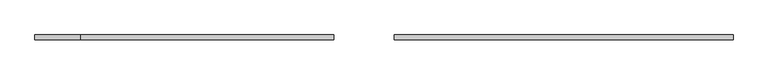
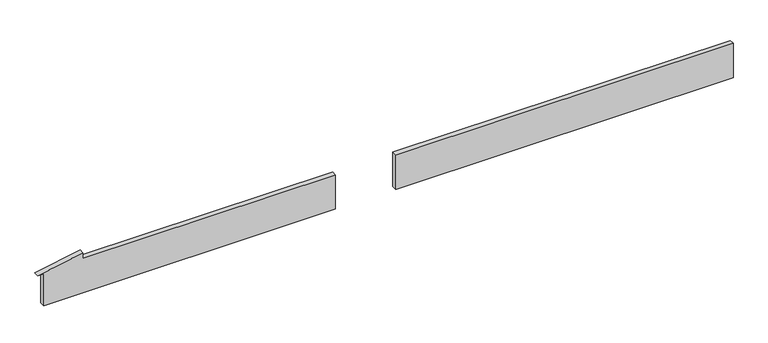
"""IFC4 building model written with IfcOpenShell, lengths in millimetres: plate geometry."""

from ifc_helpers import new_model, si_unit, frame, origin, origin_with_axes, place, context, project, spatial, polyline, outline, extrude, source, transform, mapped, element, save


def plate_51a630a7(model_context):
    return source(origin(), model_context, "Body", "SweptSolid", [
        extrude(outline(polyline([(1434.1666667, 20.0), (42.8429965, 20.0), (42.8429965, 40.0), (1434.1666667, 40.0), (1434.1666667, 20.0)])), origin_with_axes(), (0.0, 0.0, 1.0), 150.0),
        extrude(outline(polyline([(0.0, -1409.1666667), (0.0, -205.8729008), (150.0, -205.8729008), (150.0, -1248.1200126), (175.0, -1248.1200126), (139.4084662, -1434.1666667), (139.4084662, -1409.1666667), (0.0, -1409.1666667)])), frame((0.0, 20.0, 0.0), z_axis=(0.0, 1.0, 0.0), x_axis=(0.0, 0.0, 1.0)), (0.0, 0.0, 1.0), 20.0),
    ])


if __name__ == "__main__":
    model = new_model("IFC4")
    model_context = context("Model", 3, world=origin())
    ifc_project = project(units=[si_unit("LENGTHUNIT", "METRE", prefix="MILLI")], contexts=[model_context])
    site = spatial("IfcSite", under=ifc_project)
    building = spatial("IfcBuilding", under=site)
    placement = place(None, origin())
    plate_shape = plate_51a630a7(model_context)
    element("IfcPlate", 1, at=placement, inside=building, context=model_context, shape_type="MappedRepresentation", body=[
        mapped(plate_shape, transform((0.0, 0.0, 0.0), x_axis=(1.0, 0.0, 0.0), y_axis=(0.0, 1.0, 0.0), z_axis=(0.0, 0.0, 1.0))),
    ])
    save(model, "model.ifc")
